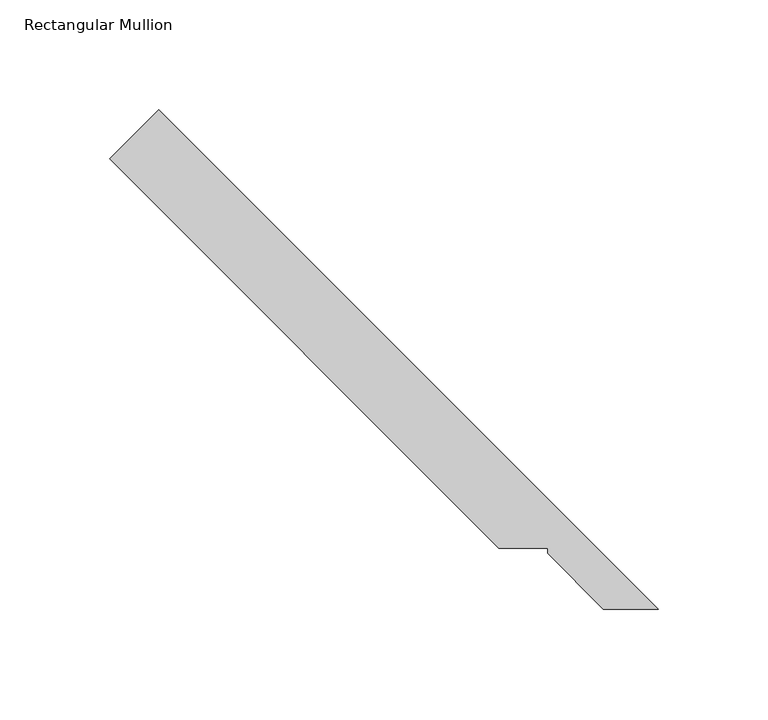
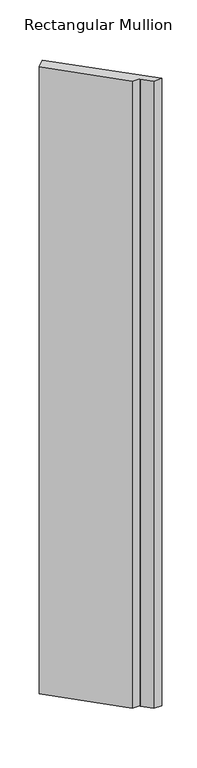
"""IFC4 building model written with IfcOpenShell, lengths in millimetres: member geometry, Rectangular Mullion."""

from ifc_helpers import new_model, si_unit, frame, origin, place, context, project, spatial, polyline, outline, extrude, source, transform, mapped, element, save


def rectangular_mullion_984b6fb8(model_context):
    return source(origin(), model_context, "Body", "SweptSolid", [
        extrude(outline(polyline([(-269.1568908, 224.2556102), (-246.7062505, 246.7062505), (-18.8048309, 18.8048309), (-43.9660501, 18.8048309), (-69.3840142, 44.4217335), (-69.3840142, 46.7077335), (-91.6090141, 46.7077335), (-269.1568908, 224.2556102)])), frame((0.0, 0.0, -1993.9000004), z_axis=(0.0, 0.0, 1.0), x_axis=(1.0, 0.0, 0.0)), (0.0, 0.0, 1.0), 1993.9000004),
    ])


if __name__ == "__main__":
    model = new_model("IFC4")
    model_context = context("Model", 3, world=origin())
    ifc_project = project(units=[si_unit("LENGTHUNIT", "METRE", prefix="MILLI")], contexts=[model_context])
    site = spatial("IfcSite", under=ifc_project)
    building = spatial("IfcBuilding", under=site)
    placement = place(None, origin())
    rectangular_mullion_shape = rectangular_mullion_984b6fb8(model_context)
    element("IfcMember", 1, ObjectType="Rectangular Mullion", at=placement, inside=building, context=model_context, shape_type="MappedRepresentation", body=[
        mapped(rectangular_mullion_shape, transform((0.0, 0.0, 0.0), x_axis=(1.0, 0.0, 0.0), y_axis=(0.0, 1.0, 0.0), z_axis=(0.0, 0.0, 1.0))),
    ])
    save(model, "model.ifc")
